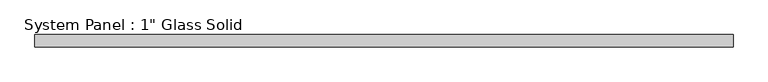
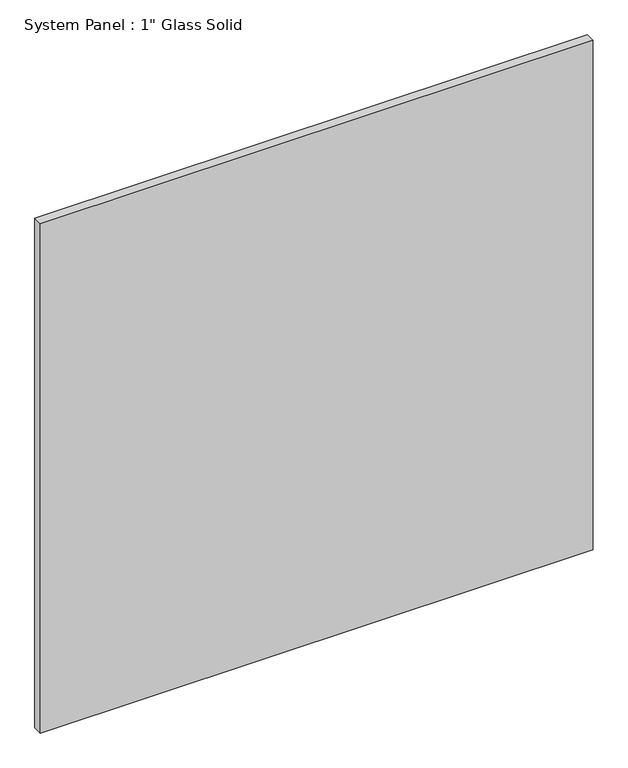
"""IFC4 building model written with IfcOpenShell, lengths in millimetres: plate geometry."""

from ifc_helpers import new_model, si_unit, origin, origin_with_axes, place, context, project, spatial, polyline, outline, extrude, source, transform, mapped, element, save


def plate_514241ba(model_context):
    return source(origin(), model_context, "Body", "SweptSolid", [
        extrude(outline(polyline([(725.5389199, -12.7), (-725.5389199, -12.7), (-725.5389199, 12.7), (725.5389199, 12.7), (725.5389199, -12.7)])), origin_with_axes(), (0.0, 0.0, 1.0), 1413.6241382),
    ])


if __name__ == "__main__":
    model = new_model("IFC4")
    model_context = context("Model", 3, world=origin())
    ifc_project = project(units=[si_unit("LENGTHUNIT", "METRE", prefix="MILLI")], contexts=[model_context])
    site = spatial("IfcSite", under=ifc_project)
    building = spatial("IfcBuilding", under=site)
    placement = place(None, origin())
    plate_shape = plate_514241ba(model_context)
    element("IfcPlate", 1, ObjectType="System Panel : 1\" Glass Solid", at=placement, inside=building, context=model_context, shape_type="MappedRepresentation", body=[
        mapped(plate_shape, transform((0.0, 0.0, 0.0), x_axis=(1.0, 0.0, 0.0), y_axis=(0.0, 1.0, 0.0), z_axis=(0.0, 0.0, 1.0))),
    ])
    save(model, "model.ifc")
